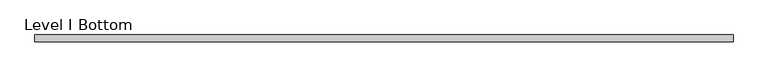
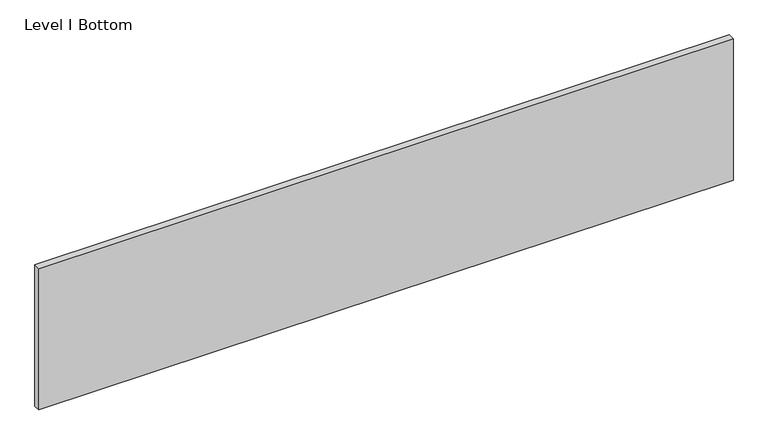
"""IFC4 building model written with IfcOpenShell, lengths in millimetres: proxy geometry, Level I Bottom."""

from ifc_helpers import new_model, si_unit, frame, origin, place, context, project, spatial, polyline, outline, extrude, source, transform, mapped, element, save


def level_i_bottom_994d76d2(model_context):
    return source(origin(), model_context, "Body", "SweptSolid", [
        extrude(outline(polyline([(998.8407125, -9.525), (-998.8407125, -9.525), (-998.8407125, 9.525), (998.8407125, 9.525), (998.8407125, -9.525)])), frame((0.0, 0.0, 3.175), z_axis=(0.0, 0.0, 1.0), x_axis=(1.0, 0.0, 0.0)), (0.0, 0.0, 1.0), 429.768),
    ])


if __name__ == "__main__":
    model = new_model("IFC4")
    model_context = context("Model", 3, world=origin())
    ifc_project = project(units=[si_unit("LENGTHUNIT", "METRE", prefix="MILLI")], contexts=[model_context])
    site = spatial("IfcSite", under=ifc_project)
    building = spatial("IfcBuilding", under=site)
    placement = place(None, origin())
    level_i_bottom_shape = level_i_bottom_994d76d2(model_context)
    element("IfcBuildingElementProxy", 1, Name="Level I Bottom", ObjectType="Level I Bottom", at=placement, inside=building, context=model_context, shape_type="MappedRepresentation", body=[
        mapped(level_i_bottom_shape, transform((0.0, 0.0, 0.0), x_axis=(1.0, 0.0, 0.0), y_axis=(0.0, 1.0, 0.0), z_axis=(0.0, 0.0, 1.0))),
    ])
    save(model, "model.ifc")
